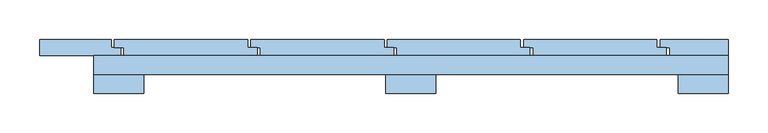
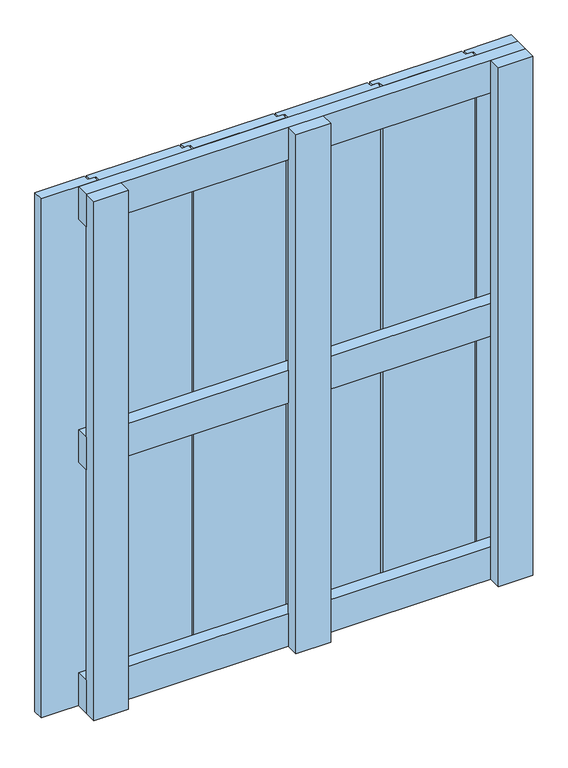
"""IFC4 building model written with IfcOpenShell, lengths in millimetres: window geometry."""

from ifc_helpers import new_model, si_unit, frame, origin, place, context, project, spatial, polyline, outline, extrude, source, transform, mapped, element, save


def window_a104da09(model_context):
    return source(origin(), model_context, "Body", "SweptSolid", [
        extrude(outline(polyline([(400.0, 60.1), (400.0, 36.1), (-400.0, 36.1), (-400.0, 60.1), (400.0, 60.1)])), frame((0.0, 0.0, 568.5), z_axis=(0.0, 0.0, 1.0), x_axis=(1.0, 0.0, 0.0)), (0.0, 0.0, 1.0), 63.0),
        extrude(outline(polyline([(400.0, 60.0), (400.0, 36.0), (-400.0, 36.0), (-400.0, 60.0), (400.0, 60.0)])), frame((0.0, 0.0, 1037.0), z_axis=(0.0, 0.0, 1.0), x_axis=(1.0, 0.0, 0.0)), (0.0, 0.0, 1.0), 63.0),
        extrude(outline(polyline([(400.0, 60.0), (400.0, 36.0), (-400.0, 36.0), (-400.0, 60.0), (400.0, 60.0)])), frame((0.0, 0.0, 100.0), z_axis=(0.0, 0.0, 1.0), x_axis=(1.0, 0.0, 0.0)), (0.0, 0.0, 1.0), 63.0),
        extrude(outline(polyline([(-374.0, 80.0), (-206.0, 80.0), (-206.0, 70.0), (-194.0, 70.0), (-194.0, 60.0), (-362.0, 60.0), (-362.0, 70.0), (-374.0, 70.0), (-374.0, 80.0)])), frame((0.0, 0.0, 100.0), z_axis=(0.0, 0.0, 1.0), x_axis=(1.0, 0.0, 0.0)), (0.0, 0.0, 1.0), 1000.0),
        extrude(outline(polyline([(-202.0, 80.0), (-34.0, 80.0), (-34.0, 70.0), (-22.0, 70.0), (-22.0, 60.0), (-190.0, 60.0), (-190.0, 70.0), (-202.0, 70.0), (-202.0, 80.0)])), frame((0.0, 0.0, 100.0), z_axis=(0.0, 0.0, 1.0), x_axis=(1.0, 0.0, 0.0)), (0.0, 0.0, 1.0), 1000.0),
        extrude(outline(polyline([(-30.0, 80.0), (138.0, 80.0), (138.0, 70.0), (150.0, 70.0), (150.0, 60.0), (-18.0, 60.0), (-18.0, 70.0), (-30.0, 70.0), (-30.0, 80.0)])), frame((0.0, 0.0, 100.0), z_axis=(0.0, 0.0, 1.0), x_axis=(1.0, 0.0, 0.0)), (0.0, 0.0, 1.0), 1000.0),
        extrude(outline(polyline([(142.0, 80.0), (310.0, 80.0), (310.0, 70.0), (322.0, 70.0), (322.0, 60.0), (154.0, 60.0), (154.0, 70.0), (142.0, 70.0), (142.0, 80.0)])), frame((0.0, 0.0, 100.0), z_axis=(0.0, 0.0, 1.0), x_axis=(1.0, 0.0, 0.0)), (0.0, 0.0, 1.0), 1000.0),
        extrude(outline(polyline([(-468.0, 80.0), (-378.0, 80.0), (-378.0, 70.0), (-366.0, 70.0), (-366.0, 60.0), (-468.0, 60.0), (-468.0, 80.0)])), frame((0.0, 0.0, 100.0), z_axis=(0.0, 0.0, 1.0), x_axis=(1.0, 0.0, 0.0)), (0.0, 0.0, 1.0), 1000.0),
        extrude(outline(polyline([(314.0, 80.0), (400.0, 80.0), (400.0, 60.0), (326.0, 60.0), (326.0, 70.0), (314.0, 70.0), (314.0, 80.0)])), frame((0.0, 0.0, 100.0), z_axis=(0.0, 0.0, 1.0), x_axis=(1.0, 0.0, 0.0)), (0.0, 0.0, 1.0), 1000.0),
        extrude(outline(polyline([(-31.5, 36.1), (31.5, 36.1), (31.5, 12.1), (-31.5, 12.1), (-31.5, 36.1)])), frame((0.0, 0.0, 100.0), z_axis=(0.0, 0.0, 1.0), x_axis=(1.0, 0.0, 0.0)), (0.0, 0.0, 1.0), 1000.0),
        extrude(outline(polyline([(-400.0, 36.0), (-337.0, 36.0), (-337.0, 12.0), (-400.0, 12.0), (-400.0, 36.0)])), frame((0.0, 0.0, 100.0), z_axis=(0.0, 0.0, 1.0), x_axis=(1.0, 0.0, 0.0)), (0.0, 0.0, 1.0), 1000.0),
        extrude(outline(polyline([(337.0, 36.0), (400.0, 36.0), (400.0, 12.0), (337.0, 12.0), (337.0, 36.0)])), frame((0.0, 0.0, 100.0), z_axis=(0.0, 0.0, 1.0), x_axis=(1.0, 0.0, 0.0)), (0.0, 0.0, 1.0), 1000.0),
    ])


if __name__ == "__main__":
    model = new_model("IFC4")
    model_context = context("Model", 3, world=origin())
    ifc_project = project(units=[si_unit("LENGTHUNIT", "METRE", prefix="MILLI")], contexts=[model_context])
    site = spatial("IfcSite", under=ifc_project)
    building = spatial("IfcBuilding", under=site)
    placement = place(None, origin())
    window_shape = window_a104da09(model_context)
    element("IfcWindow", 1, at=placement, inside=building, context=model_context, shape_type="MappedRepresentation", body=[
        mapped(window_shape, transform((0.0, 0.0, 0.0), x_axis=(1.0, 0.0, 0.0), y_axis=(0.0, 1.0, 0.0), z_axis=(0.0, 0.0, 1.0))),
    ])
    save(model, "model.ifc")
